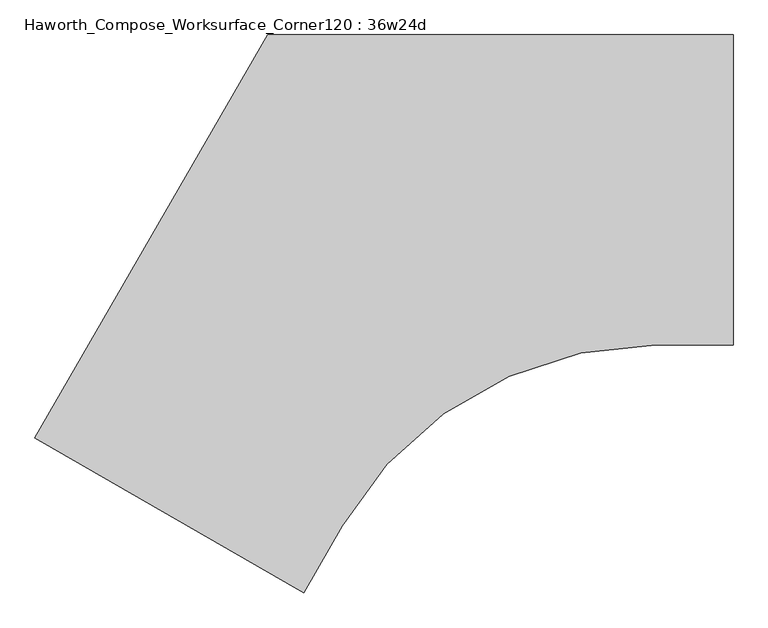
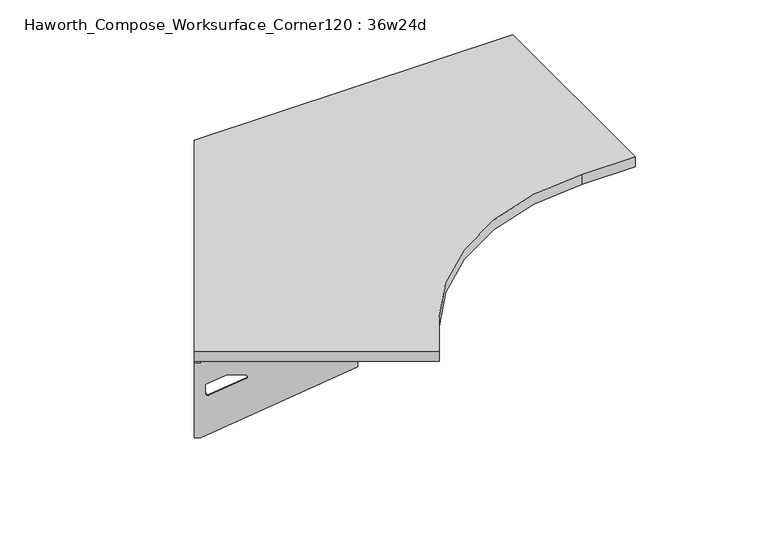
"""IFC4 building model written with IfcOpenShell, lengths in millimetres: furniture geometry, Haworth_Compose_Worksurface_Corner120 : 36w24d."""

from ifc_helpers import new_model, si_unit, point, frame, frame_2d, origin, place, context, project, spatial, polyline, circle_curve, trimmed, segment, composite_curve, outline, extrude, source, transform, mapped, element, save
from ifc_brep_helpers import plane_surface, revolved_surface, advanced_brep


def haworth_compose_worksurface_corner120_36w24d_b1cb4fd3(model_context):
    return source(origin(), model_context, "Body", "SolidModel", [
        advanced_brep(
        [(150.01875, 304.8, 473.86875), (150.01875, 288.925, 473.86875), (150.01875, -101.6, 690.1317568), (150.01875, -101.6, 702.46875), (150.01875, 288.925, 702.46875), (150.01875, 304.8, 702.46875), (150.01875, 221.490072, 664.36875), (150.01875, 177.8355284, 664.36875), (150.01875, 175.1564235, 654.7830539), (150.01875, 266.8776173, 603.9901439), (150.01875, 276.225, 609.5881969), (150.01875, 276.225, 633.0985246), (150.01875, 274.4730055, 635.9367776), (150.01875, 224.5663437, 663.5738425), (152.4, 304.8, 473.86875), (152.4, 304.8, 702.46875), (152.4, 288.925, 702.46875), (152.4, 288.925, 704.85), (152.4, -101.6, 704.85), (152.4, -101.6, 690.1317568), (152.4, 288.925, 473.86875), (152.4, 221.490072, 664.36875), (152.4, 224.5663437, 663.5738425), (152.4, 274.4730055, 635.9367776), (152.4, 276.225, 633.0985246), (152.4, 276.225, 609.5881969), (152.4, 266.8776173, 603.9901439), (152.4, 175.1564235, 654.7830539), (152.4, 177.8355284, 664.36875), (111.125, -101.6, 704.85), (111.125, -101.6, 702.46875), (111.125, 288.925, 702.46875), (111.125, 288.925, 704.85)],
        [
            (0, 1),
            (1, 2),
            (2, 3),
            (3, 4),
            (4, 5),
            (5, 0),
            (6, 7),
            (7, 8, circle_curve(frame((150.01875, 177.8355284, 659.2015106), z_axis=(1.0, 0.0, 0.0), x_axis=(0.0, -1.0, 0.0)), 5.1672394)),
            (8, 9),
            (9, 10, circle_curve(frame((150.01875, 269.875, 609.5881969), z_axis=(1.0, 0.0, 0.0), x_axis=(0.0, -1.0, 0.0)), 6.35)),
            (10, 11),
            (11, 12, circle_curve(frame((150.01875, 273.05, 633.0985246), z_axis=(1.0, 0.0, 0.0), x_axis=(0.0, -1.0, 0.0)), 3.175)),
            (12, 13),
            (13, 6, circle_curve(frame((150.01875, 221.490072, 658.01875), z_axis=(1.0, 0.0, 0.0), x_axis=(0.0, -1.0, 0.0)), 6.35)),
            (14, 15),
            (15, 16),
            (16, 17),
            (17, 18),
            (18, 19),
            (19, 20),
            (20, 14),
            (21, 22, circle_curve(frame((152.4, 221.490072, 658.01875), z_axis=(-1.0, 0.0, 0.0), x_axis=(0.0, -1.0, 0.0)), 6.35)),
            (22, 23),
            (23, 24, circle_curve(frame((152.4, 273.05, 633.0985246), z_axis=(-1.0, 0.0, 0.0), x_axis=(0.0, -1.0, 0.0)), 3.175)),
            (24, 25),
            (25, 26, circle_curve(frame((152.4, 269.875, 609.5881969), z_axis=(-1.0, 0.0, 0.0), x_axis=(0.0, -1.0, 0.0)), 6.35)),
            (26, 27),
            (27, 28, circle_curve(frame((152.4, 177.8355284, 659.2015106), z_axis=(-1.0, 0.0, 0.0), x_axis=(0.0, -1.0, 0.0)), 5.1672394)),
            (28, 21),
            (4, 16),
            (15, 5),
            (14, 0),
            (20, 1),
            (19, 2),
            (18, 29),
            (29, 30),
            (30, 3),
            (6, 21),
            (28, 7),
            (9, 26),
            (25, 10),
            (24, 11),
            (23, 12),
            (27, 8),
            (31, 4),
            (30, 31),
            (32, 29),
            (17, 32),
            (31, 32),
            (22, 13),
        ],
        [
            plane_surface(frame((150.01875, 304.8, 473.86875), z_axis=(-1.0, 0.0, 0.0), x_axis=(0.0, 1.0, 0.0))),
            plane_surface(frame((152.4, 304.8, 473.86875), z_axis=(1.0, 0.0, 0.0), x_axis=(0.0, -1.0, 0.0))),
            plane_surface(frame((152.4, -101.6, 702.46875), z_axis=(0.0, 0.0, 1.0), x_axis=(-1.0, 0.0, 0.0))),
            plane_surface(frame((152.4, 304.8, 702.46875), z_axis=(0.0, 1.0, 0.0), x_axis=(-1.0, 0.0, 0.0))),
            plane_surface(frame((152.4, 304.8, 473.86875), z_axis=(0.0, 0.0, -1.0), x_axis=(-1.0, 0.0, 0.0))),
            plane_surface(frame((152.4, 288.925, 473.86875), z_axis=(0.0, -0.4844522351345575, -0.8748177135112957), x_axis=(-1.0, 0.0, 0.0))),
            plane_surface(frame((152.4, -101.6, 690.1317568), z_axis=(0.0, -1.0, 0.0), x_axis=(-1.0, 0.0, 0.0))),
            plane_surface(frame((152.4, 221.490072, 664.36875), z_axis=(0.0, 0.0, -1.0), x_axis=(-1.0, 0.0, 0.0))),
            revolved_surface(polyline([(150.01875, 263.525, 609.5881969), (152.4, 263.525, 609.5881969)]), (152.4, 269.875, 609.5881969), (-1.0, 0.0, 0.0)),
            plane_surface(frame((152.4, 276.225, 609.5881969), z_axis=(0.0, -1.0, 0.0), x_axis=(-1.0, 0.0, 0.0))),
            revolved_surface(polyline([(150.01875, 269.875, 633.0985246), (152.4, 269.875, 633.0985246)]), (152.4, 273.05, 633.0985246), (-1.0, 0.0, 0.0)),
            revolved_surface(polyline([(150.01875, 172.668289, 659.2015106), (152.4, 172.668289, 659.2015106)]), (152.4, 177.8355284, 659.2015106), (-1.0, 0.0, 0.0)),
            plane_surface(frame((152.4, 288.925, 702.46875), z_axis=(0.0, 0.0, -1.0), x_axis=(-1.0, 0.0, 0.0))),
            plane_surface(frame((152.4, 288.925, 704.85), z_axis=(0.0, 0.0, 1.0), x_axis=(1.0, 0.0, 0.0))),
            plane_surface(frame((111.125, 288.925, 704.85), z_axis=(0.0, 1.0, 0.0), x_axis=(0.0, 0.0, -1.0))),
            plane_surface(frame((111.125, -101.6, 704.85), z_axis=(-1.0, 0.0, 0.0), x_axis=(0.0, 0.0, -1.0))),
            plane_surface(frame((152.4, 175.1564235, 654.7830539), z_axis=(0.0, 0.4844522351341526, 0.8748177135115199), x_axis=(-1.0, 0.0, 0.0))),
            plane_surface(frame((152.4, 274.4730055, 635.9367776), z_axis=(0.0, -0.48445223513456226, -0.874817713511293), x_axis=(-1.0, 0.0, 0.0))),
            revolved_surface(polyline([(150.01875, 215.140072, 658.01875), (152.4, 215.140072, 658.01875)]), (152.4, 221.490072, 658.01875), (-1.0, 0.0, 0.0)),
        ],
        [
            (0, [[1, 2, 3, 4, 5, 6], [7, 8, 9, 10, 11, 12, 13, 14]]),
            (1, [[15, 16, 17, 18, 19, 20, 21], [22, 23, 24, 25, 26, 27, 28, 29]]),
            (2, [[-5, 30, -16, 31]]),
            (3, [[-31, -15, 32, -6]]),
            (4, [[-32, -21, 33, -1]]),
            (5, [[-33, -20, 34, -2]]),
            (6, [[-34, -19, 35, 36, 37, -3]]),
            (7, [[38, -29, 39, -7]]),
            (8, [[40, -26, 41, -10]]),
            (9, [[-41, -25, 42, -11]]),
            (10, [[-42, -24, 43, -12]]),
            (11, [[-39, -28, 44, -8]]),
            (12, [[45, -4, -37, 46]]),
            (13, [[47, -35, -18, 48]]),
            (14, [[-17, -30, -45, 49, -48]]),
            (15, [[-36, -47, -49, -46]]),
            (16, [[-44, -27, -40, -9]]),
            (17, [[-43, -23, 50, -13]]),
            (18, [[-50, -22, -38, -14]]),
        ],
    ),
        advanced_brep(
        [(-1218.009375, -485.0314062, 473.86875), (-1218.009375, -485.0314062, 702.46875), (-1204.2612217, -492.9689062, 702.46875), (-866.0566509, -688.2314062, 702.46875), (-866.0566509, -688.2314062, 690.1317568), (-1204.2612217, -492.9689062, 473.86875), (-1145.860861, -526.6863702, 664.36875), (-1148.5249904, -525.1482344, 663.5738425), (-1191.7454274, -500.1949035, 635.9367776), (-1193.2626991, -499.3189062, 633.0985246), (-1193.2626991, -499.3189062, 609.5881969), (-1185.1676282, -503.9925976, 603.9901439), (-1105.7347443, -549.8531945, 654.7830539), (-1108.0549172, -548.513642, 664.36875), (-1219.2, -487.0936292, 473.86875), (-1205.4518467, -495.0311292, 473.86875), (-867.2472759, -690.2936292, 690.1317568), (-867.2472759, -690.2936292, 704.85), (-1205.4518467, -495.0311292, 704.85), (-1205.4518467, -495.0311292, 702.46875), (-1219.2, -487.0936292, 702.46875), (-1147.051486, -528.7485932, 664.36875), (-1109.2455422, -550.575865, 664.36875), (-1106.9253693, -551.9154175, 654.7830539), (-1186.3582532, -506.0548206, 603.9901439), (-1194.4533241, -501.3811292, 609.5881969), (-1194.4533241, -501.3811292, 633.0985246), (-1192.9360524, -502.2571265, 635.9367776), (-1149.7156154, -527.2104574, 663.5738425), (-846.6097759, -654.5484307, 702.46875), (-846.6097759, -654.5484307, 704.85), (-1184.8143467, -459.2859307, 702.46875), (-1184.8143467, -459.2859307, 704.85)],
        [
            (0, 1),
            (1, 2),
            (2, 3),
            (3, 4),
            (4, 5),
            (5, 0),
            (6, 7, circle_curve(frame((-1145.860861, -526.6863702, 658.01875), z_axis=(-0.5000000000000026, -0.8660254037844374, 0.0), x_axis=(0.8660254037844372, -0.5000000000000024, 0.0)), 6.35)),
            (7, 8),
            (8, 9, circle_curve(frame((-1190.5130684, -500.9064062, 633.0985246), z_axis=(-0.5000000000000026, -0.8660254037844374, 0.0), x_axis=(0.8660254037844372, -0.5000000000000024, 0.0)), 3.175)),
            (9, 10),
            (10, 11, circle_curve(frame((-1187.7634378, -502.4939062, 609.5881969), z_axis=(-0.5000000000000026, -0.8660254037844374, 0.0), x_axis=(0.8660254037844372, -0.5000000000000024, 0.0)), 6.35)),
            (11, 12),
            (12, 13, circle_curve(frame((-1108.0549172, -548.513642, 659.2015106), z_axis=(-0.5000000000000026, -0.8660254037844374, 0.0), x_axis=(0.8660254037844372, -0.5000000000000024, 0.0)), 5.1672394)),
            (13, 6),
            (14, 15),
            (15, 16),
            (16, 17),
            (17, 18),
            (18, 19),
            (19, 20),
            (20, 14),
            (21, 22),
            (22, 23, circle_curve(frame((-1109.2455422, -550.575865, 659.2015106), z_axis=(0.5000000000000026, 0.8660254037844374, 0.0), x_axis=(0.8660254037844372, -0.5000000000000024, 0.0)), 5.1672394)),
            (23, 24),
            (24, 25, circle_curve(frame((-1188.9540628, -504.5561292, 609.5881969), z_axis=(0.5000000000000026, 0.8660254037844374, 0.0), x_axis=(0.8660254037844372, -0.5000000000000024, 0.0)), 6.35)),
            (25, 26),
            (26, 27, circle_curve(frame((-1191.7036934, -502.9686292, 633.0985246), z_axis=(0.5000000000000026, 0.8660254037844374, 0.0), x_axis=(0.8660254037844372, -0.5000000000000024, 0.0)), 3.175)),
            (27, 28),
            (28, 21, circle_curve(frame((-1147.051486, -528.7485932, 658.01875), z_axis=(0.5000000000000026, 0.8660254037844374, 0.0), x_axis=(0.8660254037844372, -0.5000000000000024, 0.0)), 6.35)),
            (1, 20),
            (19, 2),
            (0, 14),
            (5, 15),
            (4, 16),
            (3, 29),
            (29, 30),
            (30, 17),
            (13, 22),
            (21, 6),
            (10, 25),
            (24, 11),
            (9, 26),
            (8, 27),
            (12, 23),
            (31, 29),
            (2, 31),
            (32, 18),
            (30, 32),
            (32, 31),
            (7, 28),
        ],
        [
            plane_surface(frame((-1218.009375, -485.0314062, 473.86875), z_axis=(0.5000000000000026, 0.8660254037844373, 0.0), x_axis=(-0.8660254037844373, 0.5000000000000026, 0.0))),
            plane_surface(frame((-1219.2, -487.0936292, 473.86875), z_axis=(-0.5000000000000026, -0.8660254037844373, 0.0), x_axis=(0.8660254037844373, -0.5000000000000026, 0.0))),
            plane_surface(frame((-867.2472759, -690.2936292, 702.46875), z_axis=(0.0, 0.0, 1.0), x_axis=(0.5000000000000011, 0.866025403784438, 0.0))),
            plane_surface(frame((-1219.2, -487.0936292, 702.46875), z_axis=(-0.866025403784438, 0.5000000000000011, 0.0), x_axis=(0.5000000000000011, 0.866025403784438, 0.0))),
            plane_surface(frame((-1219.2, -487.0936292, 473.86875), z_axis=(0.0, 0.0, -1.0), x_axis=(0.5000000000000011, 0.866025403784438, 0.0))),
            plane_surface(frame((-1205.4518467, -495.0311292, 473.86875), z_axis=(0.41954794254667943, -0.24222611756727808, -0.8748177135112957), x_axis=(0.5000000000000011, 0.866025403784438, 0.0))),
            plane_surface(frame((-867.2472759, -690.2936292, 690.1317568), z_axis=(0.866025403784438, -0.5000000000000011, 0.0), x_axis=(0.5000000000000011, 0.866025403784438, 0.0))),
            plane_surface(frame((-1147.051486, -528.7485932, 664.36875), z_axis=(0.0, 0.0, -1.0), x_axis=(0.5000000000000011, 0.866025403784438, 0.0))),
            revolved_surface(polyline([(-1182.2641764793268, -505.66890619573394, 609.5881969), (-1183.4548014983855, -507.7311292215063, 609.5881969)]), (-1188.9540628, -504.5561292, 609.5881969), (0.5000000000000024, 0.8660254037844372, 0.0)),
            plane_surface(frame((-1194.4533241, -501.3811292, 609.5881969), z_axis=(0.866025403784438, -0.5000000000000011, 0.0), x_axis=(0.5000000000000011, 0.866025403784438, 0.0))),
            revolved_surface(polyline([(-1187.7634377398501, -502.49390620180964, 633.0985246), (-1188.954062786454, -504.5561292752913, 633.0985246)]), (-1191.7036934, -502.9686292, 633.0985246), (0.5000000000000024, 0.8660254037844372, 0.0)),
            revolved_surface(polyline([(-1103.57995660903, -551.0972617018095, 659.2015106), (-1104.7705816345158, -553.1594847387139, 659.2015106)]), (-1109.2455422, -550.575865, 659.2015106), (0.5000000000000024, 0.8660254037844372, 0.0)),
            plane_surface(frame((-1205.4518467, -495.0311292, 702.46875), z_axis=(0.0, 0.0, -1.0), x_axis=(0.5000000000000011, 0.866025403784438, 0.0))),
            plane_surface(frame((-1205.4518467, -495.0311292, 704.85), z_axis=(0.0, 0.0, 1.0), x_axis=(-0.5000000000000011, -0.866025403784438, 0.0))),
            plane_surface(frame((-1184.8143467, -459.2859307, 704.85), z_axis=(-0.866025403784438, 0.5000000000000011, 0.0), x_axis=(0.0, 0.0, -1.0))),
            plane_surface(frame((-846.6097759, -654.5484307, 704.85), z_axis=(0.5000000000000011, 0.866025403784438, 0.0), x_axis=(0.0, 0.0, -1.0))),
            plane_surface(frame((-1106.9253693, -551.9154175, 654.7830539), z_axis=(-0.41954794254632877, 0.24222611756707563, 0.87481771351152), x_axis=(0.5000000000000011, 0.866025403784438, 0.0))),
            plane_surface(frame((-1192.9360524, -502.2571265, 635.9367776), z_axis=(0.4195479425466836, -0.24222611756728046, -0.874817713511293), x_axis=(0.5000000000000011, 0.866025403784438, 0.0))),
            revolved_surface(polyline([(-1140.3615996828346, -529.8613702018097, 658.01875), (-1141.5522246973337, -531.9235932196844, 658.01875)]), (-1147.051486, -528.7485932, 658.01875), (0.5000000000000024, 0.8660254037844372, 0.0)),
        ],
        [
            (0, [[1, 2, 3, 4, 5, 6], [7, 8, 9, 10, 11, 12, 13, 14]]),
            (1, [[15, 16, 17, 18, 19, 20, 21], [22, 23, 24, 25, 26, 27, 28, 29]]),
            (2, [[30, -20, 31, -2]]),
            (3, [[-1, 32, -21, -30]]),
            (4, [[-6, 33, -15, -32]]),
            (5, [[-5, 34, -16, -33]]),
            (6, [[-4, 35, 36, 37, -17, -34]]),
            (7, [[-14, 38, -22, 39]]),
            (8, [[-11, 40, -25, 41]]),
            (9, [[-10, 42, -26, -40]]),
            (10, [[-9, 43, -27, -42]]),
            (11, [[-13, 44, -23, -38]]),
            (12, [[45, -35, -3, 46]]),
            (13, [[47, -18, -37, 48]]),
            (14, [[-47, 49, -46, -31, -19]]),
            (15, [[-45, -49, -48, -36]]),
            (16, [[-12, -41, -24, -44]]),
            (17, [[-8, 50, -28, -43]]),
            (18, [[-7, -39, -29, -50]]),
        ],
    ),
        extrude(outline(composite_curve([segment(polyline([(-1219.2, -487.0936292), (-762.0, 304.8), (152.4, 304.8), (152.4, -304.8), (0.5642355, -304.8)]), True, "CONTINUOUS"), segment(trimmed(circle_curve(frame_2d((0.5642355, -1016.0)), 711.2), [point((0.5642355, -304.8))], [point((-615.3530316, -660.4))], True, "CARTESIAN"), True, "CONTINUOUS"), segment(polyline([(-615.3530316, -660.4), (-691.2709139, -791.8936292), (-1219.2, -487.0936292)]), True, "CONTINUOUS")], self_intersect=False)), frame((0.0, 0.0, 706.4375), z_axis=(0.0, 0.0, 1.0), x_axis=(1.0, 0.0, 0.0)), (0.0, 0.0, 1.0), 30.1625),
    ])


if __name__ == "__main__":
    model = new_model("IFC4")
    model_context = context("Model", 3, world=origin())
    ifc_project = project(units=[si_unit("LENGTHUNIT", "METRE", prefix="MILLI")], contexts=[model_context])
    site = spatial("IfcSite", under=ifc_project)
    building = spatial("IfcBuilding", under=site)
    placement = place(None, origin())
    haworth_compose_worksurface_corner120_36w24d_shape = haworth_compose_worksurface_corner120_36w24d_b1cb4fd3(model_context)
    element("IfcFurniture", 1, ObjectType="Haworth_Compose_Worksurface_Corner120 : 36w24d", at=placement, inside=building, context=model_context, shape_type="MappedRepresentation", body=[
        mapped(haworth_compose_worksurface_corner120_36w24d_shape, transform((0.0, 0.0, 0.0), x_axis=(1.0, 0.0, 0.0), y_axis=(0.0, 1.0, 0.0), z_axis=(0.0, 0.0, 1.0))),
    ])
    save(model, "model.ifc")
